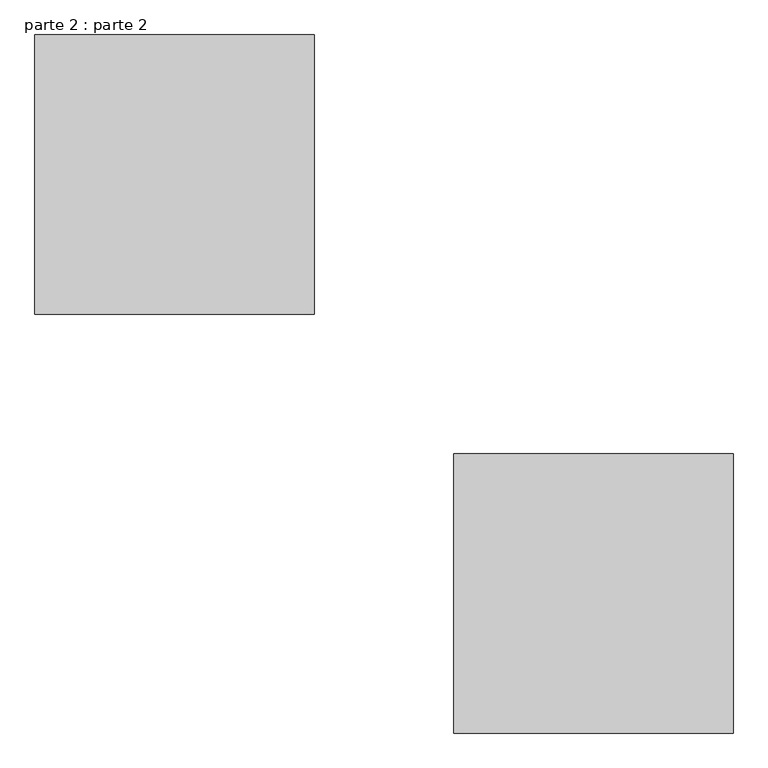
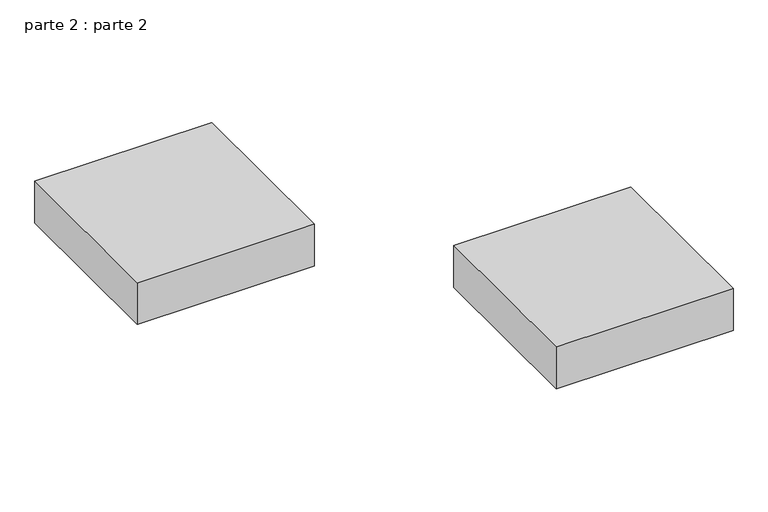
"""IFC4 building model written with IfcOpenShell, lengths in millimetres: proxy geometry, parte 2 : parte 2."""

from ifc_helpers import new_model, si_unit, frame, origin, place, context, project, spatial, polyline, outline, extrude, source, transform, mapped, element, save


def parte_2_parte_2_40e8ffd6(model_context):
    return source(origin(), model_context, "Body", "SweptSolid", [
        extrude(outline(polyline([(1000.0, 400.0), (1000.0, 0.0), (600.0, 0.0), (600.0, 400.0), (1000.0, 400.0)])), frame((0.0, 0.0, 1500.0), z_axis=(0.0, 0.0, 1.0), x_axis=(1.0, 0.0, 0.0)), (0.0, 0.0, 1.0), 100.0),
        extrude(outline(polyline([(400.0, 1000.0), (400.0, 600.0), (0.0, 600.0), (0.0, 1000.0), (400.0, 1000.0)])), frame((0.0, 0.0, 1500.0), z_axis=(0.0, 0.0, 1.0), x_axis=(1.0, 0.0, 0.0)), (0.0, 0.0, 1.0), 100.0),
    ])


if __name__ == "__main__":
    model = new_model("IFC4")
    model_context = context("Model", 3, world=origin())
    ifc_project = project(units=[si_unit("LENGTHUNIT", "METRE", prefix="MILLI")], contexts=[model_context])
    site = spatial("IfcSite", under=ifc_project)
    building = spatial("IfcBuilding", under=site)
    placement = place(None, origin())
    parte_2_parte_2_shape = parte_2_parte_2_40e8ffd6(model_context)
    element("IfcBuildingElementProxy", 1, Name="parte 2 : parte 2", ObjectType="parte 2 : parte 2", at=placement, inside=building, context=model_context, shape_type="MappedRepresentation", body=[
        mapped(parte_2_parte_2_shape, transform((0.0, 0.0, 0.0), x_axis=(1.0, 0.0, 0.0), y_axis=(0.0, 1.0, 0.0), z_axis=(0.0, 0.0, 1.0))),
    ])
    save(model, "model.ifc")
